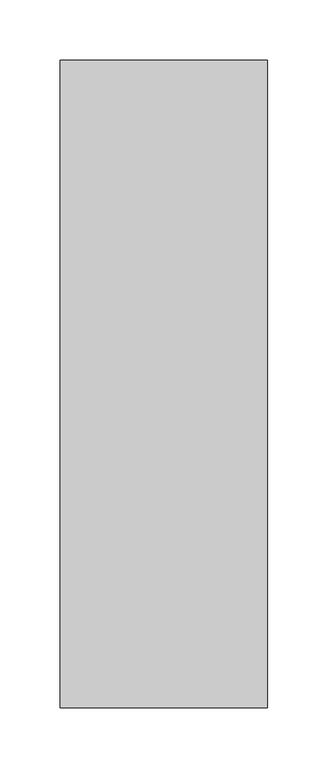
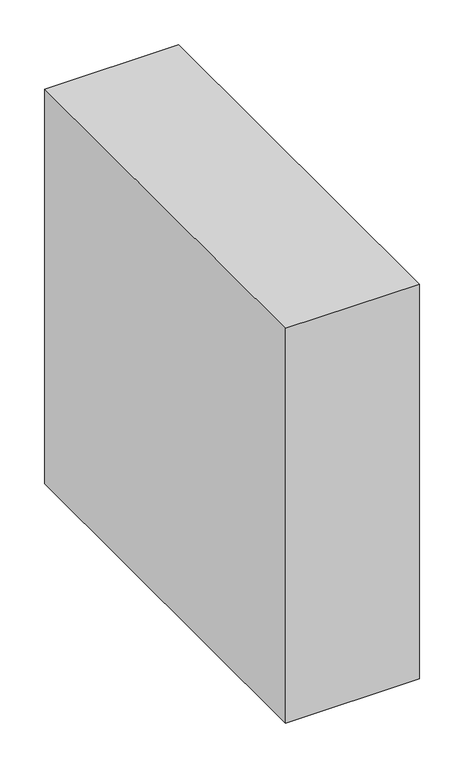
"""IFC4 building model written with IfcOpenShell, lengths in millimetres: proxy geometry."""

from ifc_helpers import new_model, si_unit, origin, origin_with_axes, place, context, project, spatial, polyline, outline, extrude, source, transform, mapped, element, save


def specialty_equipment_3b821aac(model_context):
    return source(origin(), model_context, "Body", "SweptSolid", [
        extrude(outline(polyline([(86.305, -538.1625), (-86.305, -538.1625), (-86.305, 0.0), (86.305, 0.0), (86.305, -538.1625)])), origin_with_axes(), (0.0, 0.0, 1.0), 538.1625),
    ])


if __name__ == "__main__":
    model = new_model("IFC4")
    model_context = context("Model", 3, world=origin())
    ifc_project = project(units=[si_unit("LENGTHUNIT", "METRE", prefix="MILLI")], contexts=[model_context])
    site = spatial("IfcSite", under=ifc_project)
    building = spatial("IfcBuilding", under=site)
    placement = place(None, origin())
    specialty_equipment_shape = specialty_equipment_3b821aac(model_context)
    element("IfcBuildingElementProxy", 1, Name="Specialty Equipment", at=placement, inside=building, context=model_context, shape_type="MappedRepresentation", body=[
        mapped(specialty_equipment_shape, transform((0.0, 0.0, 0.0), x_axis=(1.0, 0.0, 0.0), y_axis=(0.0, 1.0, 0.0), z_axis=(0.0, 0.0, 1.0))),
    ])
    save(model, "model.ifc")
